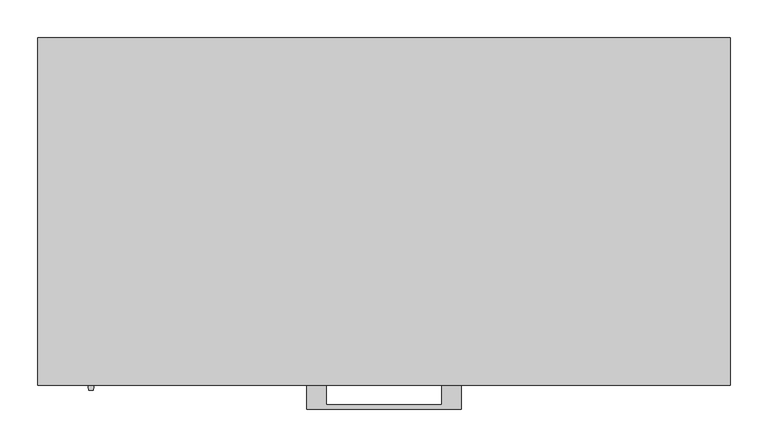
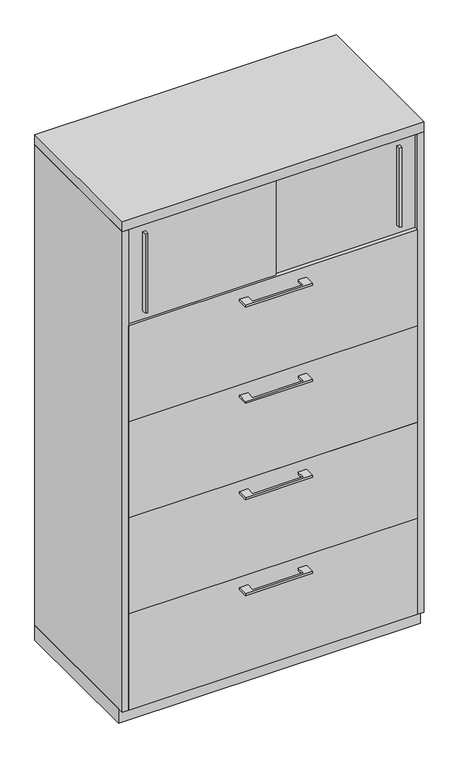
"""IFC4 building model written with IfcOpenShell, lengths in millimetres: furniture geometry."""

from ifc_helpers import new_model, si_unit, frame, origin, origin_with_axes, place, context, project, spatial, polyline, outline, extrude, source, transform, mapped, element, save


def furniture_ce6db0b5(model_context):
    return source(origin(), model_context, "Body", "SweptSolid", [
        extrude(outline(polyline([(-76.1999818, -457.2), (-76.1999818, -482.5999758), (76.2, -482.5999758), (76.2, -457.2), (101.5999939, -457.2), (101.5999939, -488.9499879), (-101.5999939, -488.9499879), (-101.5999939, -457.2), (-76.1999818, -457.2)])), frame((0.0, 0.0, 1234.7575506), z_axis=(0.0, 0.0, 1.0), x_axis=(1.0, 0.0, 0.0)), (0.0, 0.0, 1.0), 6.3499758),
        extrude(outline(polyline([(436.5625, -438.15), (436.5625, -457.2), (-436.5625, -457.2), (-436.5625, -438.15), (436.5625, -438.15)])), frame((0.0, 0.0, 967.74), z_axis=(0.0, 0.0, 1.0), x_axis=(1.0, 0.0, 0.0)), (0.0, 0.0, 1.0), 306.705),
        extrude(outline(polyline([(-76.1999818, -457.2), (-76.1999818, -482.5999758), (76.2, -482.5999758), (76.2, -457.2), (101.5999939, -457.2), (101.5999939, -488.9499879), (-101.5999939, -488.9499879), (-101.5999939, -457.2), (-76.1999818, -457.2)])), frame((0.0, 0.0, 928.0525506), z_axis=(0.0, 0.0, 1.0), x_axis=(1.0, 0.0, 0.0)), (0.0, 0.0, 1.0), 6.3499758),
        extrude(outline(polyline([(436.5625, -438.15), (436.5625, -457.2), (-436.5625, -457.2), (-436.5625, -438.15), (436.5625, -438.15)])), frame((0.0, 0.0, 661.035), z_axis=(0.0, 0.0, 1.0), x_axis=(1.0, 0.0, 0.0)), (0.0, 0.0, 1.0), 306.705),
        extrude(outline(polyline([(388.9375004, -457.1999879), (382.5874996, -457.1999879), (381.0000011, -444.5), (390.5249989, -444.5), (388.9375004, -457.1999879)])), frame((0.0, 0.0, 1301.4325), z_axis=(0.0, 0.0, 1.0), x_axis=(1.0, 0.0, 0.0)), (0.0, 0.0, 1.0), 252.73),
        extrude(outline(polyline([(-382.5874996, -463.5499879), (-388.9375004, -463.5499879), (-390.5249989, -450.85), (-381.0000011, -450.85), (-382.5874996, -463.5499879)])), frame((0.0, 0.0, 1301.4325), z_axis=(0.0, 0.0, 1.0), x_axis=(1.0, 0.0, 0.0)), (0.0, 0.0, 1.0), 252.73),
        extrude(outline(polyline([(-436.5625, -444.5), (12.7, -444.5), (12.7, -450.85), (-436.5625, -450.85), (-436.5625, -444.5)])), frame((0.0, 0.0, 1274.445), z_axis=(0.0, 0.0, 1.0), x_axis=(1.0, 0.0, 0.0)), (0.0, 0.0, 1.0), 306.705),
        extrude(outline(polyline([(-12.7, -438.15), (436.5625, -438.15), (436.5625, -444.5), (-12.7, -444.5), (-12.7, -438.15)])), frame((0.0, 0.0, 1274.445), z_axis=(0.0, 0.0, 1.0), x_axis=(1.0, 0.0, 0.0)), (0.0, 0.0, 1.0), 306.705),
        extrude(outline(polyline([(-76.1999818, -457.2), (-76.1999818, -482.5999758), (76.2, -482.5999758), (76.2, -457.2), (101.5999939, -457.2), (101.5999939, -488.9499879), (-101.5999939, -488.9499879), (-101.5999939, -457.2), (-76.1999818, -457.2)])), frame((0.0, 0.0, 621.3475506), z_axis=(0.0, 0.0, 1.0), x_axis=(1.0, 0.0, 0.0)), (0.0, 0.0, 1.0), 6.3499758),
        extrude(outline(polyline([(436.5625, -438.15), (436.5625, -457.2), (-436.5625, -457.2), (-436.5625, -438.15), (436.5625, -438.15)])), frame((0.0, 0.0, 354.33), z_axis=(0.0, 0.0, 1.0), x_axis=(1.0, 0.0, 0.0)), (0.0, 0.0, 1.0), 306.705),
        extrude(outline(polyline([(-76.1999818, -457.2), (-76.1999818, -482.5999758), (76.2, -482.5999758), (76.2, -457.2), (101.5999939, -457.2), (101.5999939, -488.9499879), (-101.5999939, -488.9499879), (-101.5999939, -457.2), (-76.1999818, -457.2)])), frame((0.0, 0.0, 314.6425506), z_axis=(0.0, 0.0, 1.0), x_axis=(1.0, 0.0, 0.0)), (0.0, 0.0, 1.0), 6.3499758),
        extrude(outline(polyline([(436.5625, -438.15), (436.5625, -457.2), (-436.5625, -457.2), (-436.5625, -438.15), (436.5625, -438.15)])), frame((0.0, 0.0, 47.625), z_axis=(0.0, 0.0, 1.0), x_axis=(1.0, 0.0, 0.0)), (0.0, 0.0, 1.0), 306.705),
        extrude(outline(polyline([(455.6125, 0.0), (455.6125, -438.15), (-455.6125, -438.15), (-455.6125, 0.0), (455.6125, 0.0)])), origin_with_axes(), (0.0, 0.0, 1.0), 47.625),
        extrude(outline(polyline([(455.6125, 0.0), (455.6125, -457.2), (-455.6125, -457.2), (-455.6125, 0.0), (455.6125, 0.0)])), frame((0.0, 0.0, 1581.15), z_axis=(0.0, 0.0, 1.0), x_axis=(1.0, 0.0, 0.0)), (0.0, 0.0, 1.0), 31.75),
        extrude(outline(polyline([(455.6125, 0.0), (455.6125, -457.2), (436.5625, -457.2), (436.5625, -19.05), (-436.5625, -19.05), (-436.5625, -457.2), (-455.6125, -457.2), (-455.6125, 0.0), (455.6125, 0.0)])), frame((0.0, 0.0, 47.625), z_axis=(0.0, 0.0, 1.0), x_axis=(1.0, 0.0, 0.0)), (0.0, 0.0, 1.0), 1533.525),
    ])


if __name__ == "__main__":
    model = new_model("IFC4")
    model_context = context("Model", 3, world=origin())
    ifc_project = project(units=[si_unit("LENGTHUNIT", "METRE", prefix="MILLI")], contexts=[model_context])
    site = spatial("IfcSite", under=ifc_project)
    building = spatial("IfcBuilding", under=site)
    placement = place(None, origin())
    furniture_shape = furniture_ce6db0b5(model_context)
    element("IfcFurniture", 1, at=placement, inside=building, context=model_context, shape_type="MappedRepresentation", body=[
        mapped(furniture_shape, transform((0.0, 0.0, 0.0), x_axis=(1.0, 0.0, 0.0), y_axis=(0.0, 1.0, 0.0), z_axis=(0.0, 0.0, 1.0))),
    ])
    save(model, "model.ifc")
